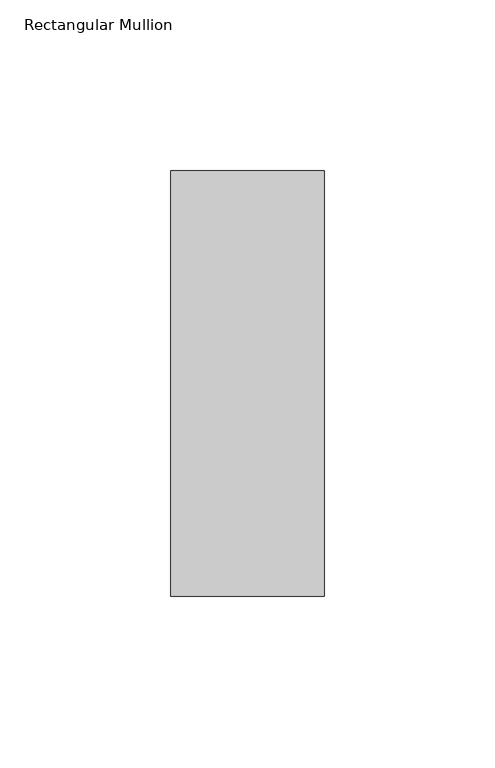
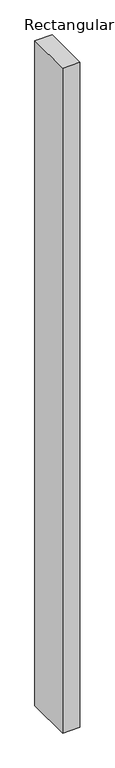
"""IFC4 building model written with IfcOpenShell, lengths in millimetres: member geometry, Rectangular Mullion."""

from ifc_helpers import new_model, si_unit, frame, origin, place, context, project, spatial, polyline, outline, extrude, source, transform, mapped, element, save


def rectangular_mullion_b3d3bbcf(model_context):
    return source(origin(), model_context, "Body", "SweptSolid", [
        extrude(outline(polyline([(22.5, -77.84375), (-22.5, -77.84375), (-22.5, 46.84375), (22.5, 46.84375), (22.5, -77.84375)])), frame((0.0, 0.0, -1828.8), z_axis=(0.0, 0.0, 1.0), x_axis=(1.0, 0.0, 0.0)), (0.0, 0.0, 1.0), 1828.8),
    ])


if __name__ == "__main__":
    model = new_model("IFC4")
    model_context = context("Model", 3, world=origin())
    ifc_project = project(units=[si_unit("LENGTHUNIT", "METRE", prefix="MILLI")], contexts=[model_context])
    site = spatial("IfcSite", under=ifc_project)
    building = spatial("IfcBuilding", under=site)
    placement = place(None, origin())
    rectangular_mullion_shape = rectangular_mullion_b3d3bbcf(model_context)
    element("IfcMember", 1, ObjectType="Rectangular Mullion", at=placement, inside=building, context=model_context, shape_type="MappedRepresentation", body=[
        mapped(rectangular_mullion_shape, transform((0.0, 0.0, 0.0), x_axis=(1.0, 0.0, 0.0), y_axis=(0.0, 1.0, 0.0), z_axis=(0.0, 0.0, 1.0))),
    ])
    save(model, "model.ifc")
